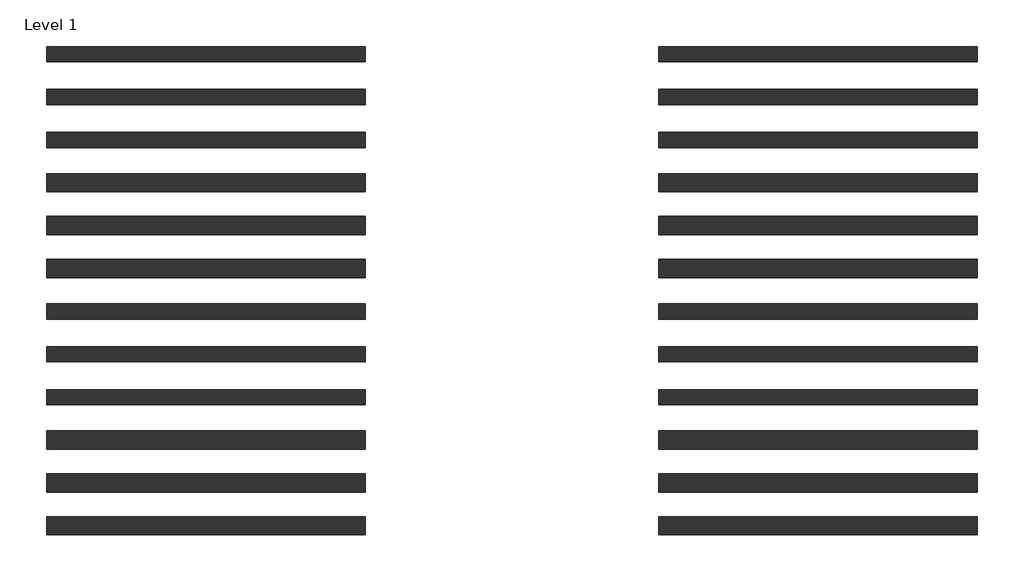
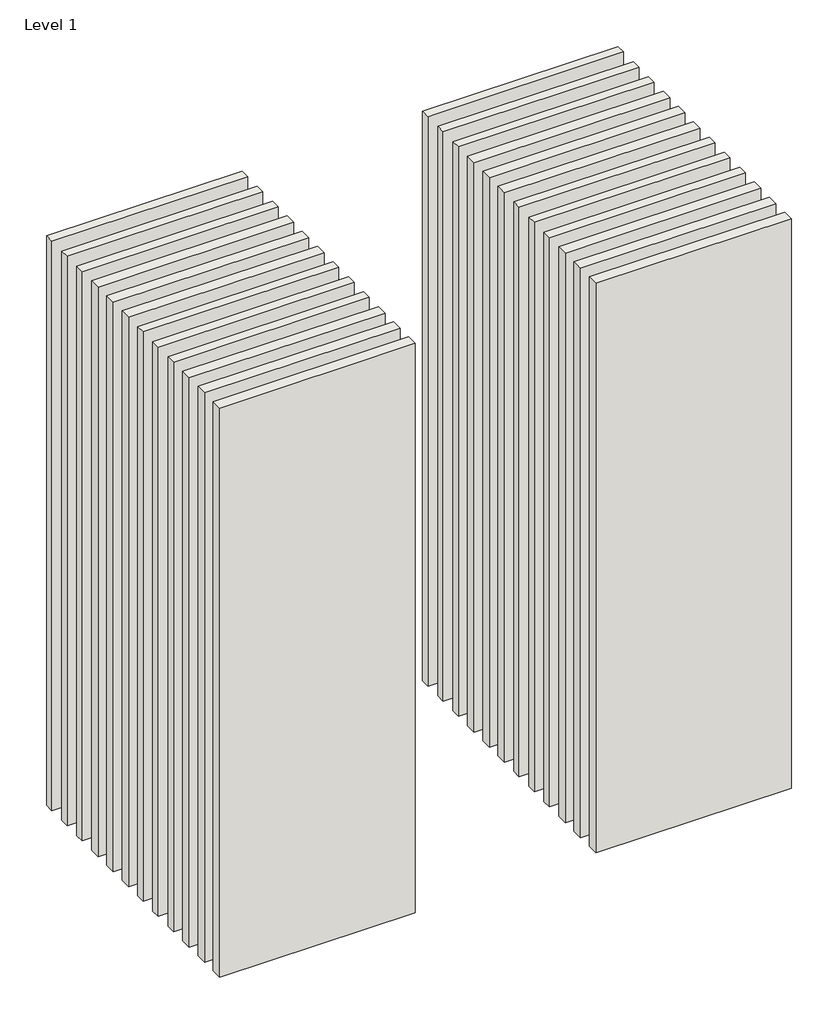
# One storey: 24 walls.
"""IFC4 building model written with IfcOpenShell, lengths in millimetres."""

from ifc_helpers import new_model, si_unit, origin, origin_with_axes, place, context, project, spatial, polyline, outline, extrude, element, save

model = new_model("IFC4")

# Units and contexts
model_context = context("Model", 3, world=origin())
ifc_project = project(units=[si_unit("LENGTHUNIT", "METRE", prefix="MILLI")], contexts=[model_context])

# Site, building, storey
site = spatial("IfcSite", under=ifc_project)
building = spatial("IfcBuilding", under=site)
storey = spatial("IfcBuildingStorey", under=building, Name="Level 1", Elevation=0.0)

# Walls
placement = place(None, origin())
element("IfcWall", 1, at=placement, inside=storey, context=model_context, shape_type="SweptSolid", body=[
    extrude(outline(polyline([(-16904.1464237, 2611.4042935), (-19504.1464237, 2611.4042935), (-19504.1464237, 2761.4042935), (-16904.1464237, 2761.4042935), (-16904.1464237, 2611.4042935)])), origin_with_axes(), (0.0, 0.0, 1.0), 8000.0),
])
element("IfcWall", 2, at=placement, inside=storey, context=model_context, shape_type="SweptSolid", body=[
    extrude(outline(polyline([(-16904.1464237, 2261.4042935), (-19504.1464237, 2261.4042935), (-19504.1464237, 2411.4042935), (-16904.1464237, 2411.4042935), (-16904.1464237, 2261.4042935)])), origin_with_axes(), (0.0, 0.0, 1.0), 8000.0),
])
element("IfcWall", 3, at=placement, inside=storey, context=model_context, shape_type="SweptSolid", body=[
    extrude(outline(polyline([(-16904.1464237, 1911.4042935), (-19504.1464237, 1911.4042935), (-19504.1464237, 2061.4042935), (-16904.1464237, 2061.4042935), (-16904.1464237, 1911.4042935)])), origin_with_axes(), (0.0, 0.0, 1.0), 8000.0),
])
element("IfcWall", 4, at=placement, inside=storey, context=model_context, shape_type="SweptSolid", body=[
    extrude(outline(polyline([(-16904.1464237, 3673.9042935), (-19504.1464237, 3673.9042935), (-19504.1464237, 3798.9042935), (-16904.1464237, 3798.9042935), (-16904.1464237, 3673.9042935)])), origin_with_axes(), (0.0, 0.0, 1.0), 8000.0),
])
element("IfcWall", 5, at=placement, inside=storey, context=model_context, shape_type="SweptSolid", body=[
    extrude(outline(polyline([(-16904.1464237, 3323.9042935), (-19504.1464237, 3323.9042935), (-19504.1464237, 3448.9042935), (-16904.1464237, 3448.9042935), (-16904.1464237, 3323.9042935)])), origin_with_axes(), (0.0, 0.0, 1.0), 8000.0),
])
element("IfcWall", 6, at=placement, inside=storey, context=model_context, shape_type="SweptSolid", body=[
    extrude(outline(polyline([(-16904.1464237, 2973.9042935), (-19504.1464237, 2973.9042935), (-19504.1464237, 3098.9042935), (-16904.1464237, 3098.9042935), (-16904.1464237, 2973.9042935)])), origin_with_axes(), (0.0, 0.0, 1.0), 8000.0),
])
element("IfcWall", 7, at=placement, inside=storey, context=model_context, shape_type="SweptSolid", body=[
    extrude(outline(polyline([(-16904.1464237, 1573.9042935), (-19504.1464237, 1573.9042935), (-19504.1464237, 1698.9042935), (-16904.1464237, 1698.9042935), (-16904.1464237, 1573.9042935)])), origin_with_axes(), (0.0, 0.0, 1.0), 8000.0),
])
element("IfcWall", 8, at=placement, inside=storey, context=model_context, shape_type="SweptSolid", body=[
    extrude(outline(polyline([(-16904.1464237, 1223.9042935), (-19504.1464237, 1223.9042935), (-19504.1464237, 1348.9042935), (-16904.1464237, 1348.9042935), (-16904.1464237, 1223.9042935)])), origin_with_axes(), (0.0, 0.0, 1.0), 8000.0),
])
element("IfcWall", 9, at=placement, inside=storey, context=model_context, shape_type="SweptSolid", body=[
    extrude(outline(polyline([(-16904.1464237, 873.9042935), (-19504.1464237, 873.9042935), (-19504.1464237, 998.9042935), (-16904.1464237, 998.9042935), (-16904.1464237, 873.9042935)])), origin_with_axes(), (0.0, 0.0, 1.0), 8000.0),
])
element("IfcWall", 10, at=placement, inside=storey, context=model_context, shape_type="SweptSolid", body=[
    extrude(outline(polyline([(-16904.1464237, 511.4042935), (-19504.1464237, 511.4042935), (-19504.1464237, 661.4042935), (-16904.1464237, 661.4042935), (-16904.1464237, 511.4042935)])), origin_with_axes(), (0.0, 0.0, 1.0), 8000.0),
])
element("IfcWall", 11, at=placement, inside=storey, context=model_context, shape_type="SweptSolid", body=[
    extrude(outline(polyline([(-16904.1464237, 161.4042935), (-19504.1464237, 161.4042935), (-19504.1464237, 311.4042935), (-16904.1464237, 311.4042935), (-16904.1464237, 161.4042935)])), origin_with_axes(), (0.0, 0.0, 1.0), 8000.0),
])
element("IfcWall", 12, at=placement, inside=storey, context=model_context, shape_type="SweptSolid", body=[
    extrude(outline(polyline([(-16904.1464237, -188.5957065), (-19504.1464237, -188.5957065), (-19504.1464237, -38.5957065), (-16904.1464237, -38.5957065), (-16904.1464237, -188.5957065)])), origin_with_axes(), (0.0, 0.0, 1.0), 8000.0),
])
element("IfcWall", 13, at=placement, inside=storey, context=model_context, shape_type="SweptSolid", body=[
    extrude(outline(polyline([(-11904.1464237, 2611.4042935), (-14504.1464237, 2611.4042935), (-14504.1464237, 2761.4042935), (-11904.1464237, 2761.4042935), (-11904.1464237, 2611.4042935)])), origin_with_axes(), (0.0, 0.0, 1.0), 8000.0),
])
element("IfcWall", 14, at=placement, inside=storey, context=model_context, shape_type="SweptSolid", body=[
    extrude(outline(polyline([(-11904.1464237, 2261.4042935), (-14504.1464237, 2261.4042935), (-14504.1464237, 2411.4042935), (-11904.1464237, 2411.4042935), (-11904.1464237, 2261.4042935)])), origin_with_axes(), (0.0, 0.0, 1.0), 8000.0),
])
element("IfcWall", 15, at=placement, inside=storey, context=model_context, shape_type="SweptSolid", body=[
    extrude(outline(polyline([(-11904.1464237, 1911.4042935), (-14504.1464237, 1911.4042935), (-14504.1464237, 2061.4042935), (-11904.1464237, 2061.4042935), (-11904.1464237, 1911.4042935)])), origin_with_axes(), (0.0, 0.0, 1.0), 8000.0),
])
element("IfcWall", 16, at=placement, inside=storey, context=model_context, shape_type="SweptSolid", body=[
    extrude(outline(polyline([(-11904.1464237, 3673.9042935), (-14504.1464237, 3673.9042935), (-14504.1464237, 3798.9042935), (-11904.1464237, 3798.9042935), (-11904.1464237, 3673.9042935)])), origin_with_axes(), (0.0, 0.0, 1.0), 8000.0),
])
element("IfcWall", 17, at=placement, inside=storey, context=model_context, shape_type="SweptSolid", body=[
    extrude(outline(polyline([(-11904.1464237, 3323.9042935), (-14504.1464237, 3323.9042935), (-14504.1464237, 3448.9042935), (-11904.1464237, 3448.9042935), (-11904.1464237, 3323.9042935)])), origin_with_axes(), (0.0, 0.0, 1.0), 8000.0),
])
element("IfcWall", 18, at=placement, inside=storey, context=model_context, shape_type="SweptSolid", body=[
    extrude(outline(polyline([(-11904.1464237, 2973.9042935), (-14504.1464237, 2973.9042935), (-14504.1464237, 3098.9042935), (-11904.1464237, 3098.9042935), (-11904.1464237, 2973.9042935)])), origin_with_axes(), (0.0, 0.0, 1.0), 8000.0),
])
element("IfcWall", 19, at=placement, inside=storey, context=model_context, shape_type="SweptSolid", body=[
    extrude(outline(polyline([(-11904.1464237, 1573.9042935), (-14504.1464237, 1573.9042935), (-14504.1464237, 1698.9042935), (-11904.1464237, 1698.9042935), (-11904.1464237, 1573.9042935)])), origin_with_axes(), (0.0, 0.0, 1.0), 8000.0),
])
element("IfcWall", 20, at=placement, inside=storey, context=model_context, shape_type="SweptSolid", body=[
    extrude(outline(polyline([(-11904.1464237, 1223.9042935), (-14504.1464237, 1223.9042935), (-14504.1464237, 1348.9042935), (-11904.1464237, 1348.9042935), (-11904.1464237, 1223.9042935)])), origin_with_axes(), (0.0, 0.0, 1.0), 8000.0),
])
element("IfcWall", 21, at=placement, inside=storey, context=model_context, shape_type="SweptSolid", body=[
    extrude(outline(polyline([(-11904.1464237, 873.9042935), (-14504.1464237, 873.9042935), (-14504.1464237, 998.9042935), (-11904.1464237, 998.9042935), (-11904.1464237, 873.9042935)])), origin_with_axes(), (0.0, 0.0, 1.0), 8000.0),
])
element("IfcWall", 22, at=placement, inside=storey, context=model_context, shape_type="SweptSolid", body=[
    extrude(outline(polyline([(-11904.1464237, 511.4042935), (-14504.1464237, 511.4042935), (-14504.1464237, 661.4042935), (-11904.1464237, 661.4042935), (-11904.1464237, 511.4042935)])), origin_with_axes(), (0.0, 0.0, 1.0), 8000.0),
])
element("IfcWall", 23, at=placement, inside=storey, context=model_context, shape_type="SweptSolid", body=[
    extrude(outline(polyline([(-11904.1464237, 161.4042935), (-14504.1464237, 161.4042935), (-14504.1464237, 311.4042935), (-11904.1464237, 311.4042935), (-11904.1464237, 161.4042935)])), origin_with_axes(), (0.0, 0.0, 1.0), 8000.0),
])
element("IfcWall", 24, at=placement, inside=storey, context=model_context, shape_type="SweptSolid", body=[
    extrude(outline(polyline([(-11904.1464237, -188.5957065), (-14504.1464237, -188.5957065), (-14504.1464237, -38.5957065), (-11904.1464237, -38.5957065), (-11904.1464237, -188.5957065)])), origin_with_axes(), (0.0, 0.0, 1.0), 8000.0),
])

save(model, "model.ifc")
